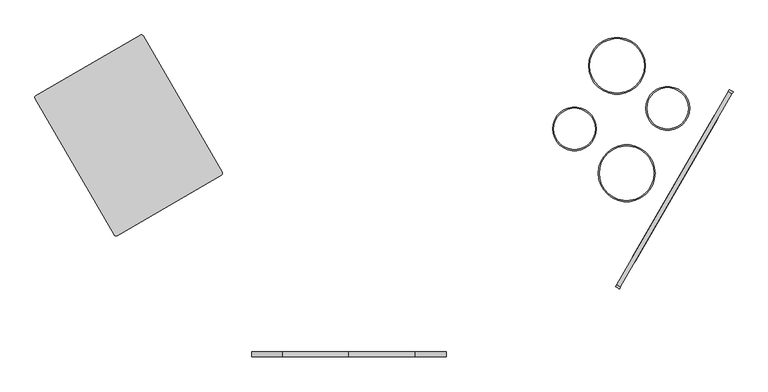
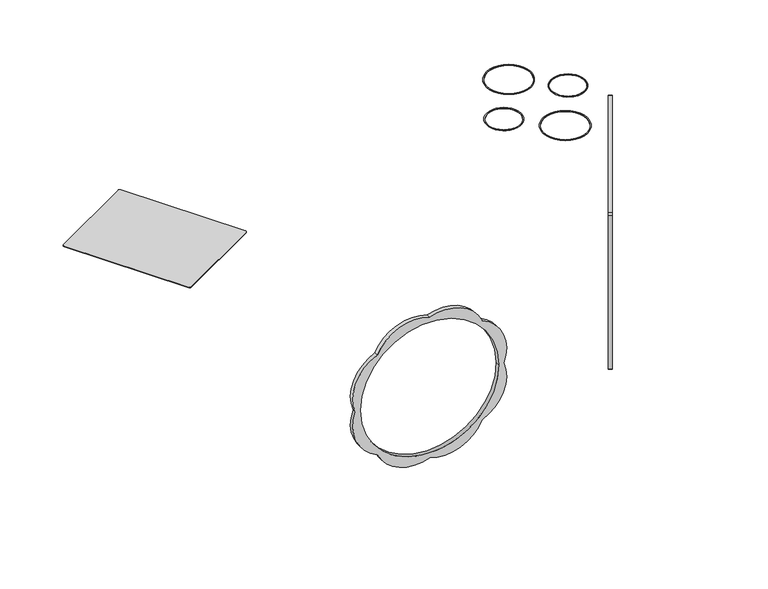
"""IFC4 building model written with IfcOpenShell, lengths in millimetres: furniture geometry."""

from ifc_helpers import new_model, si_unit, point, frame, frame_2d, origin, place, context, project, spatial, polyline, circle_curve, trimmed, segment, composite_curve, outline, extrude, source, transform, mapped, element, save


def furniture_d0e15c04(model_context):
    return source(origin(), model_context, "Body", "SweptSolid", [
        extrude(outline(composite_curve([segment(polyline([(-515.0, 0.0), (-5.0000001, 0.0)]), True, "CONTINUOUS"), segment(trimmed(circle_curve(frame_2d((-5.0000001, -5.0)), 5.0), [point((-5.0000001, 0.0))], [point((0.0, -5.0))], False, "CARTESIAN"), True, "CONTINUOUS"), segment(polyline([(0.0, -5.0), (0.0, -475.0)]), True, "CONTINUOUS"), segment(trimmed(circle_curve(frame_2d((-5.0000001, -475.0)), 5.0), [point((0.0, -475.0))], [point((-5.0000001, -480.0))], False, "CARTESIAN"), True, "CONTINUOUS"), segment(polyline([(-5.0000001, -480.0), (-515.0, -480.0)]), True, "CONTINUOUS"), segment(trimmed(circle_curve(frame_2d((-515.0, -475.0)), 5.0), [point((-515.0, -480.0))], [point((-520.0, -475.0))], False, "CARTESIAN"), True, "CONTINUOUS"), segment(polyline([(-520.0, -475.0), (-520.0, -5.0)]), True, "CONTINUOUS"), segment(trimmed(circle_curve(frame_2d((-515.0, -5.0)), 5.0), [point((-520.0, -5.0))], [point((-515.0, 0.0))], False, "CARTESIAN"), True, "CONTINUOUS")], self_intersect=False), holes=[composite_curve([segment(trimmed(circle_curve(frame_2d((-447.121864, -155.2126351)), 5.0), [point((-447.121864, -150.2126351))], [point((-452.121864, -155.2126351))], True, "CARTESIAN"), True, "CONTINUOUS"), segment(polyline([(-452.121864, -155.2126351), (-452.121864, -425.2126351)]), True, "CONTINUOUS"), segment(trimmed(circle_curve(frame_2d((-447.121864, -425.2126351)), 5.0), [point((-452.121864, -425.2126351))], [point((-447.121864, -430.2126351))], True, "CARTESIAN"), True, "CONTINUOUS"), segment(polyline([(-447.121864, -430.2126351), (-77.121864, -430.2126351)]), True, "CONTINUOUS"), segment(trimmed(circle_curve(frame_2d((-77.121864, -425.2126351)), 5.0), [point((-77.121864, -430.2126351))], [point((-72.121864, -425.2126351))], True, "CARTESIAN"), True, "CONTINUOUS"), segment(polyline([(-72.121864, -425.2126351), (-72.121864, -155.2126351)]), True, "CONTINUOUS"), segment(trimmed(circle_curve(frame_2d((-77.121864, -155.2126351)), 5.0), [point((-72.121864, -155.2126351))], [point((-77.121864, -150.2126351))], True, "CARTESIAN"), True, "CONTINUOUS"), segment(polyline([(-77.121864, -150.2126351), (-447.121864, -150.2126351)]), True, "CONTINUOUS")], self_intersect=False)]), frame((1453.5286938, -690.7139029, 709.6672305), z_axis=(-0.8660254037844382, 0.5000000000000009, 0.0), x_axis=(-0.5000000000000009, -0.8660254037844382, 0.0)), (0.0, 0.0, 1.0), 10.0),
        extrude(outline(composite_curve([segment(polyline([(-439.2839543, -163.4181414), (-89.5724572, -163.4181414)]), True, "CONTINUOUS"), segment(trimmed(circle_curve(frame_2d((-89.5724572, -168.4181414)), 5.0), [point((-89.5724572, -163.4181414))], [point((-84.5724571, -168.4181414))], False, "CARTESIAN"), True, "CONTINUOUS"), segment(polyline([(-84.5724571, -168.4181414), (-84.5724571, -416.0960505)]), True, "CONTINUOUS"), segment(trimmed(circle_curve(frame_2d((-89.5724572, -416.0960505)), 5.0), [point((-84.5724571, -416.0960505))], [point((-89.5724572, -421.0960505))], False, "CARTESIAN"), True, "CONTINUOUS"), segment(polyline([(-89.5724572, -421.0960505), (-439.2839543, -421.0960505)]), True, "CONTINUOUS"), segment(trimmed(circle_curve(frame_2d((-439.2839543, -416.0960505)), 5.0), [point((-439.2839543, -421.0960505))], [point((-444.2839544, -416.0960505))], False, "CARTESIAN"), True, "CONTINUOUS"), segment(polyline([(-444.2839544, -416.0960505), (-444.2839544, -168.4181414)]), True, "CONTINUOUS"), segment(trimmed(circle_curve(frame_2d((-439.2839543, -168.4181414)), 5.0), [point((-444.2839544, -168.4181414))], [point((-439.2839543, -163.4181414))], False, "CARTESIAN"), True, "CONTINUOUS")], self_intersect=False)), frame((1453.5286938, -690.7139029, 709.6672305), z_axis=(-0.8660254037844382, 0.5000000000000009, 0.0), x_axis=(-0.5000000000000009, -0.8660254037844382, 0.0)), (0.0, 0.0, 1.0), 10.0),
        extrude(outline(composite_curve([segment(trimmed(circle_curve(frame_2d((529.7706823, 733.3146342)), 120.7614659), [point((639.612312, 683.133482))], [point((487.584354, 620.1614399))], False, "CARTESIAN"), True, "CONTINUOUS"), segment(trimmed(circle_curve(frame_2d((445.3980258, 733.3146342)), 120.7614659), [point((487.584354, 620.1614399))], [point((335.5563961, 683.133482))], False, "CARTESIAN"), True, "CONTINUOUS"), segment(trimmed(circle_curve(frame_2d((385.7375483, 792.9751117)), 120.7614659), [point((335.5563961, 683.133482))], [point((272.584354, 835.1614399))], False, "CARTESIAN"), True, "CONTINUOUS"), segment(trimmed(circle_curve(frame_2d((385.7375483, 877.3477682)), 120.7614659), [point((272.584354, 835.1614399))], [point((335.5563961, 987.1893979))], False, "CARTESIAN"), True, "CONTINUOUS"), segment(trimmed(circle_curve(frame_2d((445.3980258, 937.0082457)), 120.7614659), [point((335.5563961, 987.1893979))], [point((487.584354, 1050.1614399))], False, "CARTESIAN"), True, "CONTINUOUS"), segment(trimmed(circle_curve(frame_2d((529.7706823, 937.0082457)), 120.7614659), [point((487.584354, 1050.1614399))], [point((639.612312, 987.1893979))], False, "CARTESIAN"), True, "CONTINUOUS"), segment(trimmed(circle_curve(frame_2d((589.4311598, 877.3477682)), 120.7614659), [point((639.612312, 987.1893979))], [point((702.584354, 835.1614399))], False, "CARTESIAN"), True, "CONTINUOUS"), segment(trimmed(circle_curve(frame_2d((589.4311598, 792.9751117)), 120.7614659), [point((702.584354, 835.1614399))], [point((639.612312, 683.133482))], False, "CARTESIAN"), True, "CONTINUOUS")], self_intersect=False), holes=[composite_curve([segment(trimmed(circle_curve(frame_2d((487.584354, 835.1614399)), 200.0), [point((487.584354, 635.1614399))], [point((487.584354, 1035.1614399))], True, "CARTESIAN"), True, "CONTINUOUS"), segment(trimmed(circle_curve(frame_2d((487.584354, 835.1614399)), 200.0), [point((487.584354, 1035.1614399))], [point((487.584354, 635.1614399))], True, "CARTESIAN"), True, "CONTINUOUS")], self_intersect=False)]), frame((0.0, -846.4104492, 0.0), z_axis=(0.0, 1.0, 0.0), x_axis=(0.0, 0.0, 1.0)), (0.0, 0.0, 1.0), 12.0),
        extrude(outline(composite_curve([segment(trimmed(circle_curve(frame_2d((122.3031434, -253.0761258)), 5.0), [point((117.9778675, -255.5845094))], [point((119.7947597, -248.7508499))], False, "CARTESIAN"), True, "CONTINUOUS"), segment(polyline([(119.7947597, -248.7508499), (357.6849336, -110.7897497)]), True, "CONTINUOUS"), segment(trimmed(circle_curve(frame_2d((360.1933173, -115.1150256)), 5.0), [point((357.6849336, -110.7897497))], [point((364.5185931, -112.606642))], False, "CARTESIAN"), True, "CONTINUOUS"), segment(polyline([(364.5185931, -112.606642), (545.1222152, -424.026506)]), True, "CONTINUOUS"), segment(trimmed(circle_curve(frame_2d((540.7969393, -426.5348896)), 5.0), [point((545.1222152, -424.026506))], [point((543.305323, -430.8601655))], False, "CARTESIAN"), True, "CONTINUOUS"), segment(polyline([(543.305323, -430.8601655), (305.4151491, -568.8212657)]), True, "CONTINUOUS"), segment(trimmed(circle_curve(frame_2d((302.9067654, -564.4959898)), 5.0), [point((305.4151491, -568.8212657))], [point((298.5814896, -567.0043734))], False, "CARTESIAN"), True, "CONTINUOUS"), segment(polyline([(298.5814896, -567.0043734), (117.9778675, -255.5845094)]), True, "CONTINUOUS")], self_intersect=False)), frame((0.0, 0.0, 812.0), z_axis=(0.0, 0.0, 1.0), x_axis=(1.0, 0.0, 0.0)), (0.0, 0.0, 1.0), 1.0),
        extrude(outline(composite_curve([segment(trimmed(circle_curve(frame_2d((1563.8713657, -277.9471138)), 50.0), [point((1513.8713657, -277.9471138))], [point((1613.8713657, -277.9471138))], False, "CARTESIAN"), True, "CONTINUOUS"), segment(trimmed(circle_curve(frame_2d((1563.8713657, -277.9471138)), 50.0), [point((1613.8713657, -277.9471138))], [point((1513.8713657, -277.9471138))], False, "CARTESIAN"), True, "CONTINUOUS")], self_intersect=False), holes=[composite_curve([segment(trimmed(circle_curve(frame_2d((1563.8713657, -277.9471138)), 46.9646937), [point((1516.9066719, -277.9471138))], [point((1610.8360594, -277.9471138))], True, "CARTESIAN"), True, "CONTINUOUS"), segment(trimmed(circle_curve(frame_2d((1563.8713657, -277.9471138)), 46.9646937), [point((1610.8360594, -277.9471138))], [point((1516.9066719, -277.9471138))], True, "CARTESIAN"), True, "CONTINUOUS")], self_intersect=False)]), frame((0.0, 0.0, 812.0), z_axis=(0.0, 0.0, 1.0), x_axis=(1.0, 0.0, 0.0)), (0.0, 0.0, 1.0), 1.0),
        extrude(outline(composite_curve([segment(trimmed(circle_curve(frame_2d((1470.1635502, -426.3785692)), 65.0), [point((1405.1635502, -426.3785692))], [point((1535.1635502, -426.3785692))], False, "CARTESIAN"), True, "CONTINUOUS"), segment(trimmed(circle_curve(frame_2d((1470.1635502, -426.3785692)), 65.0), [point((1535.1635502, -426.3785692))], [point((1405.1635502, -426.3785692))], False, "CARTESIAN"), True, "CONTINUOUS")], self_intersect=False), holes=[composite_curve([segment(trimmed(circle_curve(frame_2d((1470.1635502, -426.3785692)), 62.0), [point((1408.1635502, -426.3785692))], [point((1532.1635502, -426.3785692))], True, "CARTESIAN"), True, "CONTINUOUS"), segment(trimmed(circle_curve(frame_2d((1470.1635502, -426.3785692)), 62.0), [point((1532.1635502, -426.3785692))], [point((1408.1635502, -426.3785692))], True, "CARTESIAN"), True, "CONTINUOUS")], self_intersect=False)]), frame((0.0, 0.0, 812.0), z_axis=(0.0, 0.0, 1.0), x_axis=(1.0, 0.0, 0.0)), (0.0, 0.0, 1.0), 1.0),
        extrude(outline(composite_curve([segment(trimmed(circle_curve(frame_2d((1448.1024948, -180.7571118)), 65.0), [point((1383.1024948, -180.7571118))], [point((1513.1024948, -180.7571118))], False, "CARTESIAN"), True, "CONTINUOUS"), segment(trimmed(circle_curve(frame_2d((1448.1024948, -180.7571118)), 65.0), [point((1513.1024948, -180.7571118))], [point((1383.1024948, -180.7571118))], False, "CARTESIAN"), True, "CONTINUOUS")], self_intersect=False), holes=[composite_curve([segment(trimmed(circle_curve(frame_2d((1448.1024948, -180.7571118)), 62.0), [point((1386.1024948, -180.7571118))], [point((1510.1024948, -180.7571118))], True, "CARTESIAN"), True, "CONTINUOUS"), segment(trimmed(circle_curve(frame_2d((1448.1024948, -180.7571118)), 62.0), [point((1510.1024948, -180.7571118))], [point((1386.1024948, -180.7571118))], True, "CARTESIAN"), True, "CONTINUOUS")], self_intersect=False)]), frame((0.0, 0.0, 812.0), z_axis=(0.0, 0.0, 1.0), x_axis=(1.0, 0.0, 0.0)), (0.0, 0.0, 1.0), 1.0),
        extrude(outline(composite_curve([segment(trimmed(circle_curve(frame_2d((1350.9329038, -324.8208695)), 50.0), [point((1300.9329038, -324.8208695))], [point((1400.9329038, -324.8208695))], False, "CARTESIAN"), True, "CONTINUOUS"), segment(trimmed(circle_curve(frame_2d((1350.9329038, -324.8208695)), 50.0), [point((1400.9329038, -324.8208695))], [point((1300.9329038, -324.8208695))], False, "CARTESIAN"), True, "CONTINUOUS")], self_intersect=False), holes=[composite_curve([segment(trimmed(circle_curve(frame_2d((1350.9329038, -324.8208695)), 46.9646937), [point((1303.96821, -324.8208695))], [point((1397.8975975, -324.8208695))], True, "CARTESIAN"), True, "CONTINUOUS"), segment(trimmed(circle_curve(frame_2d((1350.9329038, -324.8208695)), 46.9646937), [point((1397.8975975, -324.8208695))], [point((1303.96821, -324.8208695))], True, "CARTESIAN"), True, "CONTINUOUS")], self_intersect=False)]), frame((0.0, 0.0, 812.0), z_axis=(0.0, 0.0, 1.0), x_axis=(1.0, 0.0, 0.0)), (0.0, 0.0, 1.0), 1.0),
    ])


if __name__ == "__main__":
    model = new_model("IFC4")
    model_context = context("Model", 3, world=origin())
    ifc_project = project(units=[si_unit("LENGTHUNIT", "METRE", prefix="MILLI")], contexts=[model_context])
    site = spatial("IfcSite", under=ifc_project)
    building = spatial("IfcBuilding", under=site)
    placement = place(None, origin())
    furniture_shape = furniture_d0e15c04(model_context)
    element("IfcFurniture", 1, at=placement, inside=building, context=model_context, shape_type="MappedRepresentation", body=[
        mapped(furniture_shape, transform((0.0, 0.0, 0.0), x_axis=(1.0, 0.0, 0.0), y_axis=(0.0, 1.0, 0.0), z_axis=(0.0, 0.0, 1.0))),
    ])
    save(model, "model.ifc")
